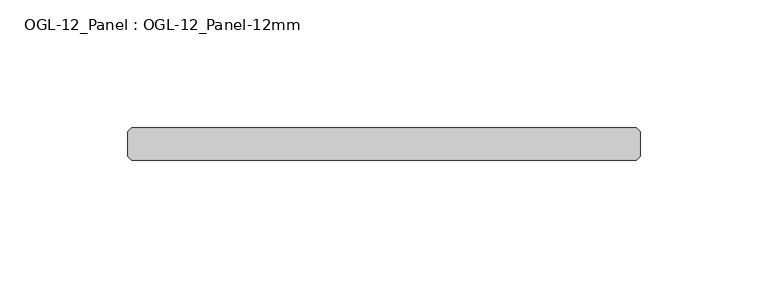
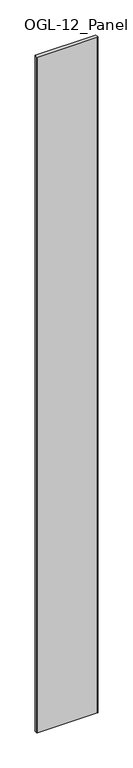
"""IFC4 building model written with IfcOpenShell, lengths in millimetres: plate geometry, OGL-12_Panel : OGL-12_Panel-12mm."""

from ifc_helpers import new_model, si_unit, origin, origin_with_axes, place, context, project, spatial, polyline, outline, extrude, source, transform, mapped, element, save


def ogl_12_panel_ogl_12_panel_12mm_cf688341(model_context):
    return source(origin(), model_context, "Body", "SweptSolid", [
        extrude(outline(polyline([(98.8254067, -34.925), (-98.8254067, -34.925), (-100.4129067, -33.3375), (-100.4129067, -23.8125), (-98.8254067, -22.225), (98.8254067, -22.225), (100.4129067, -23.8125), (100.4129067, -33.3375), (98.8254067, -34.925)])), origin_with_axes(), (0.0, 0.0, 1.0), 2339.9738578),
    ])


if __name__ == "__main__":
    model = new_model("IFC4")
    model_context = context("Model", 3, world=origin())
    ifc_project = project(units=[si_unit("LENGTHUNIT", "METRE", prefix="MILLI")], contexts=[model_context])
    site = spatial("IfcSite", under=ifc_project)
    building = spatial("IfcBuilding", under=site)
    placement = place(None, origin())
    ogl_12_panel_ogl_12_panel_12mm_shape = ogl_12_panel_ogl_12_panel_12mm_cf688341(model_context)
    element("IfcPlate", 1, ObjectType="OGL-12_Panel : OGL-12_Panel-12mm", at=placement, inside=building, context=model_context, shape_type="MappedRepresentation", body=[
        mapped(ogl_12_panel_ogl_12_panel_12mm_shape, transform((0.0, 0.0, 0.0), x_axis=(1.0, 0.0, 0.0), y_axis=(0.0, 1.0, 0.0), z_axis=(0.0, 0.0, 1.0))),
    ])
    save(model, "model.ifc")
